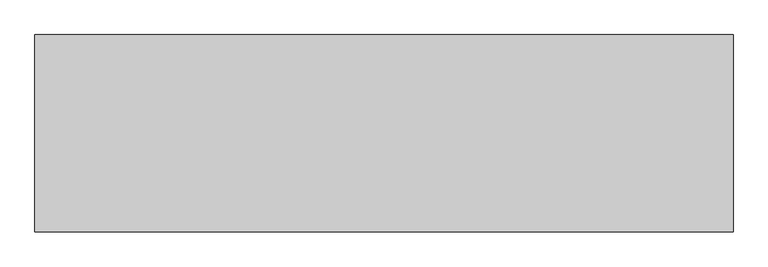
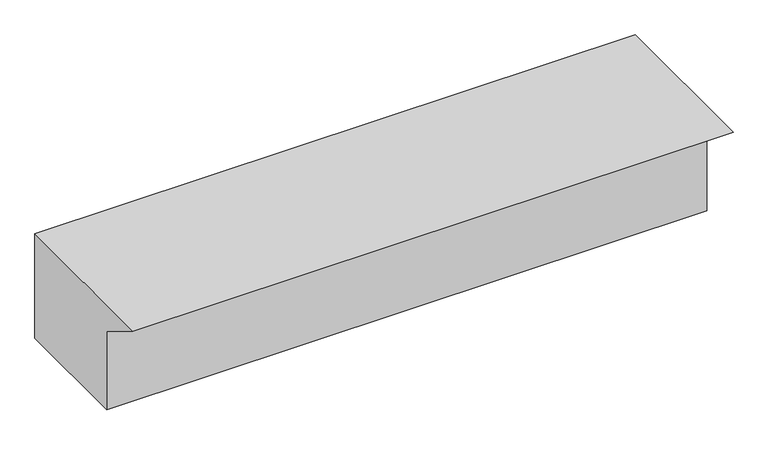
"""IFC4 building model written with IfcOpenShell, lengths in millimetres: stair geometry."""

from ifc_helpers import new_model, si_unit, frame, origin, place, context, project, spatial, polyline, outline, extrude, source, transform, mapped, element, save


def stair_55afd6c1(model_context):
    return source(origin(), model_context, "Body", "SweptSolid", [
        extrude(outline(polyline([(-3451.5765383, 6528.6039913), (-3550.5432389, 6590.0), (-3182.9760521, 6590.0), (-3182.9760521, 6350.0), (-3451.5765383, 6350.0), (-3451.5765383, 6528.6039913)])), frame((1286.8631266, 0.0, 0.0), z_axis=(1.0, 0.0, 0.0), x_axis=(0.0, 1.0, 0.0)), (0.0, 0.0, 1.0), 1300.0),
    ])


if __name__ == "__main__":
    model = new_model("IFC4")
    model_context = context("Model", 3, world=origin())
    ifc_project = project(units=[si_unit("LENGTHUNIT", "METRE", prefix="MILLI")], contexts=[model_context])
    site = spatial("IfcSite", under=ifc_project)
    building = spatial("IfcBuilding", under=site)
    placement = place(None, origin())
    stair_shape = stair_55afd6c1(model_context)
    element("IfcStair", 1, at=placement, inside=building, context=model_context, shape_type="MappedRepresentation", body=[
        mapped(stair_shape, transform((0.0, 0.0, 0.0), x_axis=(1.0, 0.0, 0.0), y_axis=(0.0, 1.0, 0.0), z_axis=(0.0, 0.0, 1.0))),
    ])
    save(model, "model.ifc")
